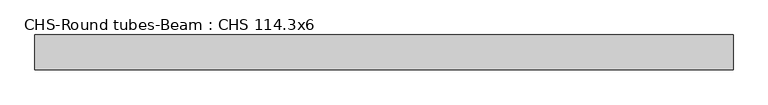
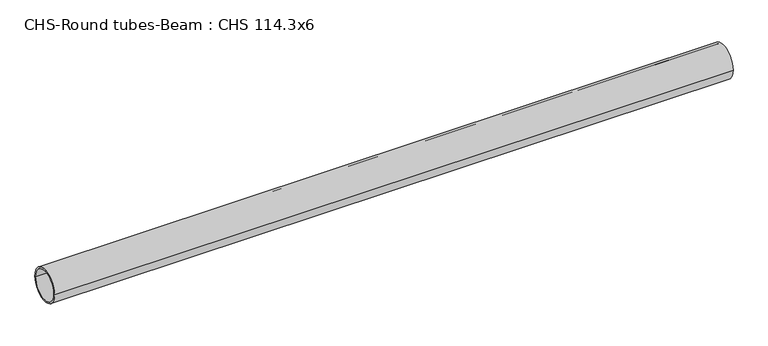
"""IFC4 building model written with IfcOpenShell, lengths in millimetres: beam geometry, CHS-Round tubes-Beam : CHS 114.3x6."""

from ifc_helpers import new_model, si_unit, point, frame, origin, origin_2d, place, context, project, spatial, circle_curve, trimmed, segment, composite_curve, outline, extrude, source, transform, mapped, element, save


def chs_round_tubes_beam_chs_114_3x6_e0cabcb4(model_context):
    return source(origin(), model_context, "Body", "SweptSolid", [
        extrude(outline(composite_curve([segment(trimmed(circle_curve(origin_2d(), 57.15), [point((57.15, 0.0))], [point((-57.15, 0.0))], False, "CARTESIAN"), True, "CONTINUOUS"), segment(trimmed(circle_curve(origin_2d(), 57.15), [point((-57.15, 0.0))], [point((57.15, 0.0))], False, "CARTESIAN"), True, "CONTINUOUS")], self_intersect=False), holes=[composite_curve([segment(trimmed(circle_curve(origin_2d(), 51.15), [point((51.15, 0.0))], [point((-51.15, 0.0))], True, "CARTESIAN"), True, "CONTINUOUS"), segment(trimmed(circle_curve(origin_2d(), 51.15), [point((-51.15, 0.0))], [point((51.15, 0.0))], True, "CARTESIAN"), True, "CONTINUOUS")], self_intersect=False)]), frame((-1024.0280791, 0.0, 0.0), z_axis=(1.0, 0.0, 0.0), x_axis=(0.0, 1.0, 0.0)), (0.0, 0.0, 1.0), 2297.3271549),
    ])


if __name__ == "__main__":
    model = new_model("IFC4")
    model_context = context("Model", 3, world=origin())
    ifc_project = project(units=[si_unit("LENGTHUNIT", "METRE", prefix="MILLI")], contexts=[model_context])
    site = spatial("IfcSite", under=ifc_project)
    building = spatial("IfcBuilding", under=site)
    placement = place(None, origin())
    chs_round_tubes_beam_chs_114_3x6_shape = chs_round_tubes_beam_chs_114_3x6_e0cabcb4(model_context)
    element("IfcBeam", 1, ObjectType="CHS-Round tubes-Beam : CHS 114.3x6", at=placement, inside=building, context=model_context, shape_type="MappedRepresentation", body=[
        mapped(chs_round_tubes_beam_chs_114_3x6_shape, transform((0.0, 0.0, 0.0), x_axis=(1.0, 0.0, 0.0), y_axis=(0.0, 1.0, 0.0), z_axis=(0.0, 0.0, 1.0))),
    ])
    save(model, "model.ifc")
